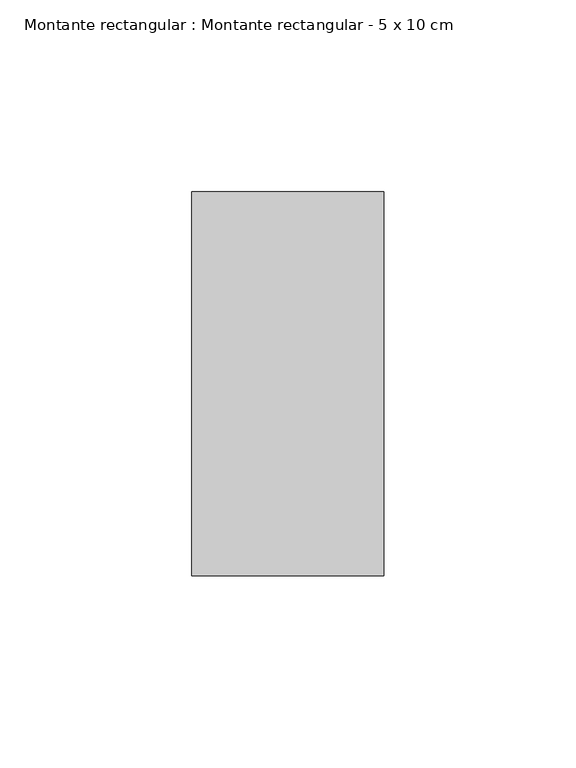
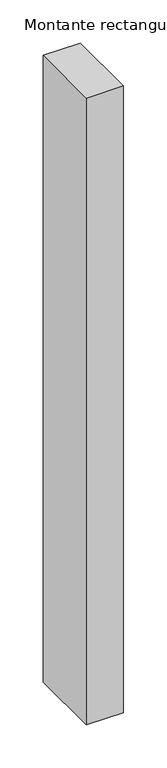
"""IFC4 building model written with IfcOpenShell, lengths in millimetres: member geometry, Montante rectangular : Montante rectangular - 5 x 10 cm."""

from ifc_helpers import new_model, si_unit, frame, origin, place, context, project, spatial, polyline, outline, extrude, source, transform, mapped, element, save


def montante_rectangular_montante_rectangular_5_x_10_cm_96334664(model_context):
    return source(origin(), model_context, "Body", "SweptSolid", [
        extrude(outline(polyline([(-50.0, 50.0), (0.0, 50.0), (0.0, -50.0), (-50.0, -50.0), (-50.0, 50.0)])), frame((0.0, 0.0, -888.0174366), z_axis=(0.0, 0.0, 1.0), x_axis=(1.0, 0.0, 0.0)), (0.0, 0.0, 1.0), 888.0174366),
    ])


if __name__ == "__main__":
    model = new_model("IFC4")
    model_context = context("Model", 3, world=origin())
    ifc_project = project(units=[si_unit("LENGTHUNIT", "METRE", prefix="MILLI")], contexts=[model_context])
    site = spatial("IfcSite", under=ifc_project)
    building = spatial("IfcBuilding", under=site)
    placement = place(None, origin())
    montante_rectangular_montante_rectangular_5_x_10_cm_shape = montante_rectangular_montante_rectangular_5_x_10_cm_96334664(model_context)
    element("IfcMember", 1, ObjectType="Montante rectangular : Montante rectangular - 5 x 10 cm", at=placement, inside=building, context=model_context, shape_type="MappedRepresentation", body=[
        mapped(montante_rectangular_montante_rectangular_5_x_10_cm_shape, transform((0.0, 0.0, 0.0), x_axis=(1.0, 0.0, 0.0), y_axis=(0.0, 1.0, 0.0), z_axis=(0.0, 0.0, 1.0))),
    ])
    save(model, "model.ifc")
